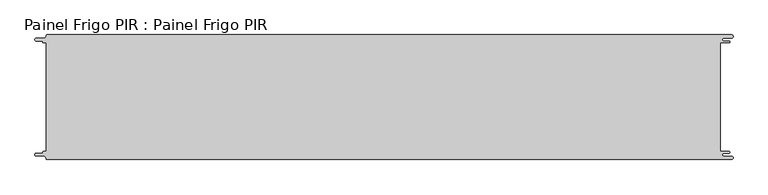
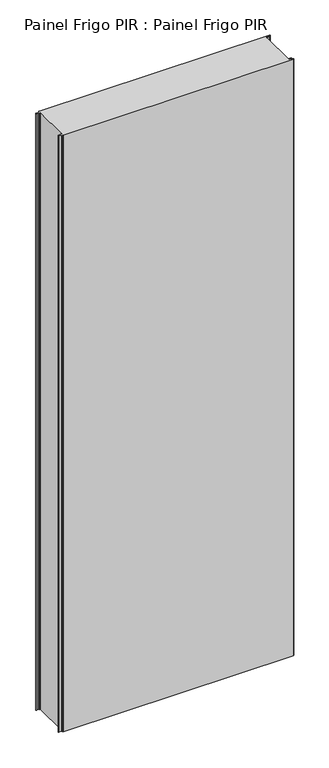
"""IFC4 building model written with IfcOpenShell, lengths in millimetres: proxy geometry, Painel Frigo PIR : Painel Frigo PIR."""

from ifc_helpers import new_model, si_unit, frame, origin, place, context, project, spatial, polyline, circle_curve, source, transform, mapped, element, save
from ifc_brep_helpers import plane_surface, cylinder_surface, revolved_surface, advanced_brep


def painel_frigo_pir_painel_frigo_pir_b79eabaa(model_context):
    return source(origin(), model_context, "Body", "AdvancedBrep", [
        advanced_brep(
        [(-554.5874998, 87.3, 3000.0), (-549.2999612, 87.3, 3000.0), (-549.2999612, -87.2999995, 3000.0), (-554.5874998, -87.2999995, 3000.0), (-555.1875003, -87.9, 3000.0), (-555.1875003, -88.7085185, 3000.0), (-556.5875003, -90.1085185, 3000.0), (-565.565625, -90.1085185, 3000.0), (-565.565625, -94.5085185, 3000.0), (-553.55, -94.5085185, 3000.0), (-550.0, -98.0585185, 3000.0), (-548.05, -100.0, 3000.0), (546.89375, -100.0, 3000.0), (546.89375, -94.725, 3000.0), (534.45625, -94.725, 3000.0), (534.45625, -89.875, 3000.0), (543.1187503, -89.875, 3000.0), (543.1187503, -87.3, 3000.0), (529.2687503, -87.3, 3000.0), (529.2687503, 87.3, 3000.0), (543.1187503, 87.3, 3000.0), (543.1187503, 89.875, 3000.0), (534.45625, 89.875, 3000.0), (534.45625, 94.725, 3000.0), (546.89375, 94.725, 3000.0), (546.89375, 100.0, 3000.0), (-548.05, 100.0, 3000.0), (-550.0, 98.05, 3000.0), (-553.55, 94.5085185, 3000.0), (-565.565625, 94.5085185, 3000.0), (-565.565625, 90.1085187, 3000.0), (-556.5875001, 90.1085187, 3000.0), (-555.1874998, 88.7085184, 3000.0), (-555.1874998, 87.9, 3000.0), (-554.5874998, 87.3, 0.0), (-555.1874998, 87.9, 0.0), (-555.1874998, 88.7085184, 0.0), (-556.5875001, 90.1085187, 0.0), (-565.565625, 90.1085187, 0.0), (-565.565625, 94.5085185, 0.0), (-553.55, 94.5085185, 0.0), (-550.0, 98.0585185, 0.0), (-548.05, 100.0, 0.0), (546.89375, 100.0, 0.0), (546.89375, 94.725, 0.0), (534.45625, 94.725, 0.0), (534.45625, 89.875, 0.0), (543.1187503, 89.875, 0.0), (543.1187503, 87.3, 0.0), (529.2687503, 87.3, 0.0), (529.2687503, -87.3, 0.0), (543.1187503, -87.3, 0.0), (543.1187503, -89.875, 0.0), (534.45625, -89.875, 0.0), (534.45625, -94.725, 0.0), (546.89375, -94.725, 0.0), (546.89375, -100.0, 0.0), (-548.05, -100.0, 0.0), (-550.0, -98.05, 0.0), (-553.55, -94.5085185, 0.0), (-565.565625, -94.5085185, 0.0), (-565.565625, -90.1085185, 0.0), (-556.5875003, -90.1085185, 0.0), (-555.1875003, -88.7085185, 0.0), (-555.1875003, -87.9, 0.0), (-554.5874998, -87.2999995, 0.0), (-549.2999612, -87.2999995, 0.0), (-549.2999612, 87.3, 0.0)],
        [
            (0, 1),
            (1, 2),
            (2, 3),
            (3, 4, circle_curve(frame((-554.5874998, -87.9, 3000.0), z_axis=(0.0, 0.0, 1.0), x_axis=(1.0, 0.0, 0.0)), 0.6000005)),
            (4, 5),
            (5, 6, circle_curve(frame((-556.5875003, -88.7085185, 3000.0), z_axis=(0.0, 0.0, -1.0), x_axis=(1.0, 0.0, 0.0)), 1.4)),
            (6, 7),
            (7, 8, circle_curve(frame((-565.565625, -92.3085185, 3000.0), z_axis=(0.0, 0.0, 1.0), x_axis=(1.0, 0.0, 0.0)), 2.2)),
            (8, 9),
            (9, 10, circle_curve(frame((-553.55, -98.0585185, 3000.0), z_axis=(0.0, 0.0, -1.0), x_axis=(1.0, 0.0, 0.0)), 3.55)),
            (10, 11, circle_curve(frame((-548.05, -98.05, 3000.0), z_axis=(0.0, 0.0, 1.0), x_axis=(1.0, 0.0, 0.0)), 1.95)),
            (11, 12),
            (12, 13, circle_curve(frame((546.89375, -97.3625, 3000.0), z_axis=(0.0, 0.0, 1.0), x_axis=(1.0, 0.0, 0.0)), 2.6375)),
            (13, 14),
            (14, 15, circle_curve(frame((534.45625, -92.3, 3000.0), z_axis=(0.0, 0.0, -1.0), x_axis=(1.0, 0.0, 0.0)), 2.425)),
            (15, 16),
            (16, 17, circle_curve(frame((543.1187503, -88.5875, 3000.0), z_axis=(0.0, 0.0, 1.0), x_axis=(1.0, 0.0, 0.0)), 1.2875)),
            (17, 18),
            (18, 19),
            (19, 20),
            (20, 21, circle_curve(frame((543.1187503, 88.5875, 3000.0), z_axis=(0.0, 0.0, 1.0), x_axis=(1.0, 0.0, 0.0)), 1.2875)),
            (21, 22),
            (22, 23, circle_curve(frame((534.45625, 92.3, 3000.0), z_axis=(0.0, 0.0, -1.0), x_axis=(1.0, 0.0, 0.0)), 2.425)),
            (23, 24),
            (24, 25, circle_curve(frame((546.89375, 97.3625, 3000.0), z_axis=(0.0, 0.0, 1.0), x_axis=(1.0, 0.0, 0.0)), 2.6375)),
            (25, 26),
            (26, 27, circle_curve(frame((-548.05, 98.05, 3000.0), z_axis=(0.0, 0.0, 1.0), x_axis=(1.0, 0.0, 0.0)), 1.95)),
            (27, 28, circle_curve(frame((-553.55, 98.0585185, 3000.0), z_axis=(0.0, 0.0, -1.0), x_axis=(1.0, 0.0, 0.0)), 3.55)),
            (28, 29),
            (29, 30, circle_curve(frame((-565.565625, 92.3085186, 3000.0), z_axis=(0.0, 0.0, 1.0), x_axis=(1.0, 0.0, 0.0)), 2.1999999)),
            (30, 31),
            (31, 32, circle_curve(frame((-556.5875001, 88.7085184, 3000.0), z_axis=(0.0, 0.0, -1.0), x_axis=(1.0, 0.0, 0.0)), 1.4000003)),
            (32, 33),
            (33, 0, circle_curve(frame((-554.5874998, 87.9, 3000.0), z_axis=(0.0, 0.0, 1.0), x_axis=(1.0, 0.0, 0.0)), 0.6)),
            (34, 35, circle_curve(frame((-554.5874998, 87.9, 0.0), z_axis=(0.0, 0.0, -1.0), x_axis=(1.0, 0.0, 0.0)), 0.6)),
            (35, 36),
            (36, 37, circle_curve(frame((-556.5875001, 88.7085184, 0.0), z_axis=(0.0, 0.0, 1.0), x_axis=(1.0, 0.0, 0.0)), 1.4000003)),
            (37, 38),
            (38, 39, circle_curve(frame((-565.565625, 92.3085186, 0.0), z_axis=(0.0, 0.0, -1.0), x_axis=(1.0, 0.0, 0.0)), 2.1999999)),
            (39, 40),
            (40, 41, circle_curve(frame((-553.55, 98.0585185, 0.0), z_axis=(0.0, 0.0, 1.0), x_axis=(1.0, 0.0, 0.0)), 3.55)),
            (41, 42, circle_curve(frame((-548.05, 98.05, 0.0), z_axis=(0.0, 0.0, -1.0), x_axis=(1.0, 0.0, 0.0)), 1.95)),
            (42, 43),
            (43, 44, circle_curve(frame((546.89375, 97.3625, 0.0), z_axis=(0.0, 0.0, -1.0), x_axis=(1.0, 0.0, 0.0)), 2.6375)),
            (44, 45),
            (45, 46, circle_curve(frame((534.45625, 92.3, 0.0), z_axis=(0.0, 0.0, 1.0), x_axis=(1.0, 0.0, 0.0)), 2.425)),
            (46, 47),
            (47, 48, circle_curve(frame((543.1187503, 88.5875, 0.0), z_axis=(0.0, 0.0, -1.0), x_axis=(1.0, 0.0, 0.0)), 1.2875)),
            (48, 49),
            (49, 50),
            (50, 51),
            (51, 52, circle_curve(frame((543.1187503, -88.5875, 0.0), z_axis=(0.0, 0.0, -1.0), x_axis=(1.0, 0.0, 0.0)), 1.2875)),
            (52, 53),
            (53, 54, circle_curve(frame((534.45625, -92.3, 0.0), z_axis=(0.0, 0.0, 1.0), x_axis=(1.0, 0.0, 0.0)), 2.425)),
            (54, 55),
            (55, 56, circle_curve(frame((546.89375, -97.3625, 0.0), z_axis=(0.0, 0.0, -1.0), x_axis=(1.0, 0.0, 0.0)), 2.6375)),
            (56, 57),
            (57, 58, circle_curve(frame((-548.05, -98.05, 0.0), z_axis=(0.0, 0.0, -1.0), x_axis=(1.0, 0.0, 0.0)), 1.95)),
            (58, 59, circle_curve(frame((-553.55, -98.0585185, 0.0), z_axis=(0.0, 0.0, 1.0), x_axis=(1.0, 0.0, 0.0)), 3.55)),
            (59, 60),
            (60, 61, circle_curve(frame((-565.565625, -92.3085185, 0.0), z_axis=(0.0, 0.0, -1.0), x_axis=(1.0, 0.0, 0.0)), 2.2)),
            (61, 62),
            (62, 63, circle_curve(frame((-556.5875003, -88.7085185, 0.0), z_axis=(0.0, 0.0, 1.0), x_axis=(1.0, 0.0, 0.0)), 1.4)),
            (63, 64),
            (64, 65, circle_curve(frame((-554.5874998, -87.9, 0.0), z_axis=(0.0, 0.0, -1.0), x_axis=(1.0, 0.0, 0.0)), 0.6000005)),
            (65, 66),
            (66, 67),
            (67, 34),
            (0, 34),
            (67, 1),
            (66, 2),
            (65, 3),
            (64, 4),
            (63, 5),
            (62, 6),
            (61, 7),
            (60, 8),
            (59, 9),
            (58, 10),
            (57, 11),
            (56, 12),
            (18, 50),
            (49, 19),
            (48, 20),
            (47, 21),
            (46, 22),
            (45, 23),
            (44, 24),
            (43, 25),
            (42, 26),
            (41, 27),
            (40, 28),
            (39, 29),
            (38, 30),
            (37, 31),
            (36, 32),
            (35, 33),
            (55, 13),
            (54, 14),
            (53, 15),
            (52, 16),
            (51, 17),
        ],
        [
            plane_surface(frame((-549.2999612, 87.3, 3000.0), z_axis=(0.0, 0.0, 1.0), x_axis=(1.0, 0.0, 0.0))),
            plane_surface(frame((-549.2999612, 87.3, 0.0), z_axis=(0.0, 0.0, -1.0), x_axis=(-1.0, 0.0, 0.0))),
            plane_surface(frame((-554.5874998, 87.3, 3000.0), z_axis=(0.0, -1.0, 0.0), x_axis=(0.0, 0.0, -1.0))),
            plane_surface(frame((-549.2999612, 87.3, 3000.0), z_axis=(-1.0, 0.0, 0.0), x_axis=(0.0, 0.0, -1.0))),
            plane_surface(frame((-549.2999612, -87.2999995, 3000.0), z_axis=(0.0, 1.0, 0.0), x_axis=(0.0, 0.0, -1.0))),
            cylinder_surface(frame((-554.5874998, -87.9, 0.0), z_axis=(0.0, 0.0, 1.0), x_axis=(1.0, 0.0, 0.0)), 0.6000005),
            plane_surface(frame((-555.1875003, -87.9, 3000.0), z_axis=(-1.0, 1.7578608662330256e-12, 0.0), x_axis=(0.0, 0.0, -1.0))),
            revolved_surface(polyline([(-555.1875003, -88.7085185, 0.0), (-555.1875003, -88.7085185, 3000.0)]), (-556.5875003, -88.7085185, 0.0), (0.0, 0.0, -1.0)),
            plane_surface(frame((-556.5875003, -90.1085185, 3000.0), z_axis=(0.0, 1.0, 0.0), x_axis=(0.0, 0.0, -1.0))),
            cylinder_surface(frame((-565.565625, -92.3085185, 0.0), z_axis=(0.0, 0.0, 1.0), x_axis=(1.0, 0.0, 0.0)), 2.2),
            plane_surface(frame((-565.565625, -94.5085185, 3000.0), z_axis=(0.0, -1.0, 0.0), x_axis=(0.0, 0.0, -1.0))),
            revolved_surface(polyline([(-550.0, -98.0585185, 0.0), (-550.0, -98.0585185, 3000.0)]), (-553.55, -98.0585185, 0.0), (0.0, 0.0, -1.0)),
            cylinder_surface(frame((-548.05, -98.05, 0.0), z_axis=(0.0, 0.0, 1.0), x_axis=(1.0, 0.0, 0.0)), 1.95),
            plane_surface(frame((-548.05, -100.0, 3000.0), z_axis=(0.0, -1.0, 0.0), x_axis=(0.0, 0.0, -1.0))),
            plane_surface(frame((529.2687503, -87.3, 3000.0), z_axis=(1.0, 0.0, 0.0), x_axis=(0.0, 0.0, -1.0))),
            plane_surface(frame((529.2687503, 87.3, 3000.0), z_axis=(0.0, -1.0, 0.0), x_axis=(0.0, 0.0, -1.0))),
            cylinder_surface(frame((543.1187503, 88.5875, 0.0), z_axis=(0.0, 0.0, 1.0), x_axis=(1.0, 0.0, 0.0)), 1.2875),
            plane_surface(frame((543.1187503, 89.875, 3000.0), z_axis=(0.0, 1.0, 0.0), x_axis=(0.0, 0.0, -1.0))),
            revolved_surface(polyline([(536.8812499999999, 92.3, 0.0), (536.8812499999999, 92.3, 3000.0)]), (534.45625, 92.3, 0.0), (0.0, 0.0, -1.0)),
            plane_surface(frame((534.45625, 94.725, 3000.0), z_axis=(0.0, -1.0, 0.0), x_axis=(0.0, 0.0, -1.0))),
            cylinder_surface(frame((546.89375, 97.3625, 0.0), z_axis=(0.0, 0.0, 1.0), x_axis=(1.0, 0.0, 0.0)), 2.6375),
            plane_surface(frame((546.89375, 100.0, 3000.0), z_axis=(0.0, 1.0, 0.0), x_axis=(0.0, 0.0, -1.0))),
            cylinder_surface(frame((-548.05, 98.05, 0.0), z_axis=(0.0, 0.0, 1.0), x_axis=(1.0, 0.0, 0.0)), 1.95),
            revolved_surface(polyline([(-550.0, 98.0585185, 0.0), (-550.0, 98.0585185, 3000.0)]), (-553.55, 98.0585185, 0.0), (0.0, 0.0, -1.0)),
            plane_surface(frame((-553.55, 94.5085185, 3000.0), z_axis=(0.0, 1.0, 0.0), x_axis=(0.0, 0.0, -1.0))),
            cylinder_surface(frame((-565.565625, 92.3085186, 0.0), z_axis=(0.0, 0.0, 1.0), x_axis=(1.0, 0.0, 0.0)), 2.1999999),
            plane_surface(frame((-565.565625, 90.1085187, 3000.0), z_axis=(0.0, -1.0, 0.0), x_axis=(0.0, 0.0, -1.0))),
            revolved_surface(polyline([(-555.1874998000001, 88.7085184, 0.0), (-555.1874998000001, 88.7085184, 3000.0)]), (-556.5875001, 88.7085184, 0.0), (0.0, 0.0, -1.0)),
            plane_surface(frame((-555.1874998, 88.7085184, 3000.0), z_axis=(-1.0, 0.0, 0.0), x_axis=(0.0, 0.0, -1.0))),
            cylinder_surface(frame((-554.5874998, 87.9, 0.0), z_axis=(0.0, 0.0, 1.0), x_axis=(1.0, 0.0, 0.0)), 0.6),
            cylinder_surface(frame((546.89375, -97.3625, 0.0), z_axis=(0.0, 0.0, 1.0), x_axis=(1.0, 0.0, 0.0)), 2.6375),
            plane_surface(frame((546.89375, -94.725, 3000.0), z_axis=(0.0, 1.0, 0.0), x_axis=(0.0, 0.0, -1.0))),
            revolved_surface(polyline([(536.8812499999999, -92.3, 0.0), (536.8812499999999, -92.3, 3000.0)]), (534.45625, -92.3, 0.0), (0.0, 0.0, -1.0)),
            plane_surface(frame((534.45625, -89.875, 3000.0), z_axis=(0.0, -1.0, 0.0), x_axis=(0.0, 0.0, -1.0))),
            cylinder_surface(frame((543.1187503, -88.5875, 0.0), z_axis=(0.0, 0.0, 1.0), x_axis=(1.0, 0.0, 0.0)), 1.2875),
            plane_surface(frame((543.1187503, -87.3, 3000.0), z_axis=(0.0, 1.0, 0.0), x_axis=(0.0, 0.0, -1.0))),
        ],
        [
            (0, [[1, 2, 3, 4, 5, 6, 7, 8, 9, 10, 11, 12, 13, 14, 15, 16, 17, 18, 19, 20, 21, 22, 23, 24, 25, 26, 27, 28, 29, 30, 31, 32, 33, 34]]),
            (1, [[35, 36, 37, 38, 39, 40, 41, 42, 43, 44, 45, 46, 47, 48, 49, 50, 51, 52, 53, 54, 55, 56, 57, 58, 59, 60, 61, 62, 63, 64, 65, 66, 67, 68]]),
            (2, [[-1, 69, -68, 70]]),
            (3, [[-2, -70, -67, 71]]),
            (4, [[-3, -71, -66, 72]]),
            (5, [[-4, -72, -65, 73]]),
            (6, [[-5, -73, -64, 74]]),
            (7, [[-6, -74, -63, 75]]),
            (8, [[-7, -75, -62, 76]]),
            (9, [[-8, -76, -61, 77]]),
            (10, [[-9, -77, -60, 78]]),
            (11, [[-10, -78, -59, 79]]),
            (12, [[-11, -79, -58, 80]]),
            (13, [[-12, -80, -57, 81]]),
            (14, [[-19, 82, -50, 83]]),
            (15, [[-20, -83, -49, 84]]),
            (16, [[-21, -84, -48, 85]]),
            (17, [[-22, -85, -47, 86]]),
            (18, [[-23, -86, -46, 87]]),
            (19, [[-24, -87, -45, 88]]),
            (20, [[-25, -88, -44, 89]]),
            (21, [[-26, -89, -43, 90]]),
            (22, [[-27, -90, -42, 91]]),
            (23, [[-28, -91, -41, 92]]),
            (24, [[-29, -92, -40, 93]]),
            (25, [[-30, -93, -39, 94]]),
            (26, [[-31, -94, -38, 95]]),
            (27, [[-32, -95, -37, 96]]),
            (28, [[-33, -96, -36, 97]]),
            (29, [[-34, -97, -35, -69]]),
            (30, [[-13, -81, -56, 98]]),
            (31, [[-14, -98, -55, 99]]),
            (32, [[-15, -99, -54, 100]]),
            (33, [[-16, -100, -53, 101]]),
            (34, [[-17, -101, -52, 102]]),
            (35, [[-18, -102, -51, -82]]),
        ],
    ),
    ])


if __name__ == "__main__":
    model = new_model("IFC4")
    model_context = context("Model", 3, world=origin())
    ifc_project = project(units=[si_unit("LENGTHUNIT", "METRE", prefix="MILLI")], contexts=[model_context])
    site = spatial("IfcSite", under=ifc_project)
    building = spatial("IfcBuilding", under=site)
    placement = place(None, origin())
    painel_frigo_pir_painel_frigo_pir_shape = painel_frigo_pir_painel_frigo_pir_b79eabaa(model_context)
    element("IfcBuildingElementProxy", 1, Name="Painel Frigo PIR : Painel Frigo PIR", ObjectType="Painel Frigo PIR : Painel Frigo PIR", at=placement, inside=building, context=model_context, shape_type="MappedRepresentation", body=[
        mapped(painel_frigo_pir_painel_frigo_pir_shape, transform((0.0, 0.0, 0.0), x_axis=(1.0, 0.0, 0.0), y_axis=(0.0, 1.0, 0.0), z_axis=(0.0, 0.0, 1.0))),
    ])
    save(model, "model.ifc")
